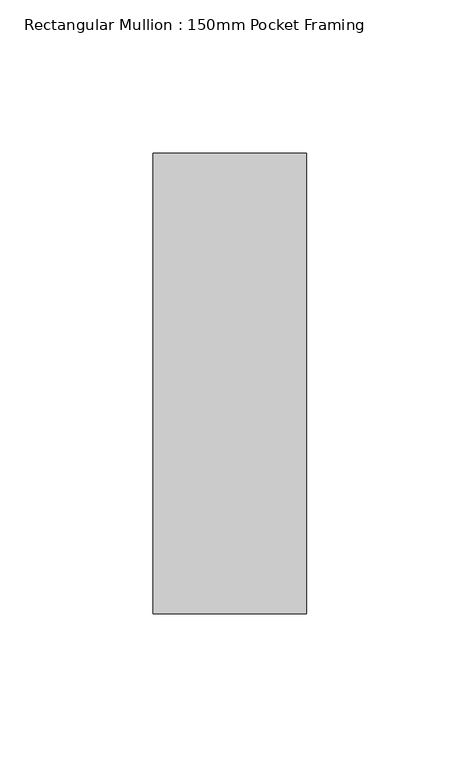
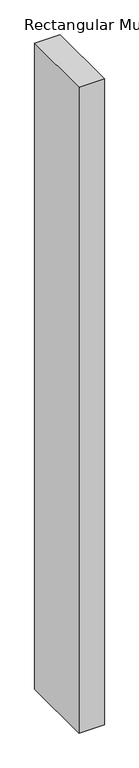
"""IFC4 building model written with IfcOpenShell, lengths in millimetres: member geometry, Rectangular Mullion : 150mm Pocket Framing."""

from ifc_helpers import new_model, si_unit, frame, origin, place, context, project, spatial, polyline, outline, extrude, source, transform, mapped, element, save


def rectangular_mullion_150mm_pocket_framing_17f52345(model_context):
    return source(origin(), model_context, "Body", "SweptSolid", [
        extrude(outline(polyline([(0.0, 75.0), (0.0, -75.0), (-50.0, -75.0), (-50.0, 75.0), (0.0, 75.0)])), frame((0.0, 0.0, -1340.0), z_axis=(0.0, 0.0, 1.0), x_axis=(1.0, 0.0, 0.0)), (0.0, 0.0, 1.0), 1340.0),
    ])


if __name__ == "__main__":
    model = new_model("IFC4")
    model_context = context("Model", 3, world=origin())
    ifc_project = project(units=[si_unit("LENGTHUNIT", "METRE", prefix="MILLI")], contexts=[model_context])
    site = spatial("IfcSite", under=ifc_project)
    building = spatial("IfcBuilding", under=site)
    placement = place(None, origin())
    rectangular_mullion_150mm_pocket_framing_shape = rectangular_mullion_150mm_pocket_framing_17f52345(model_context)
    element("IfcMember", 1, ObjectType="Rectangular Mullion : 150mm Pocket Framing", at=placement, inside=building, context=model_context, shape_type="MappedRepresentation", body=[
        mapped(rectangular_mullion_150mm_pocket_framing_shape, transform((0.0, 0.0, 0.0), x_axis=(1.0, 0.0, 0.0), y_axis=(0.0, 1.0, 0.0), z_axis=(0.0, 0.0, 1.0))),
    ])
    save(model, "model.ifc")
